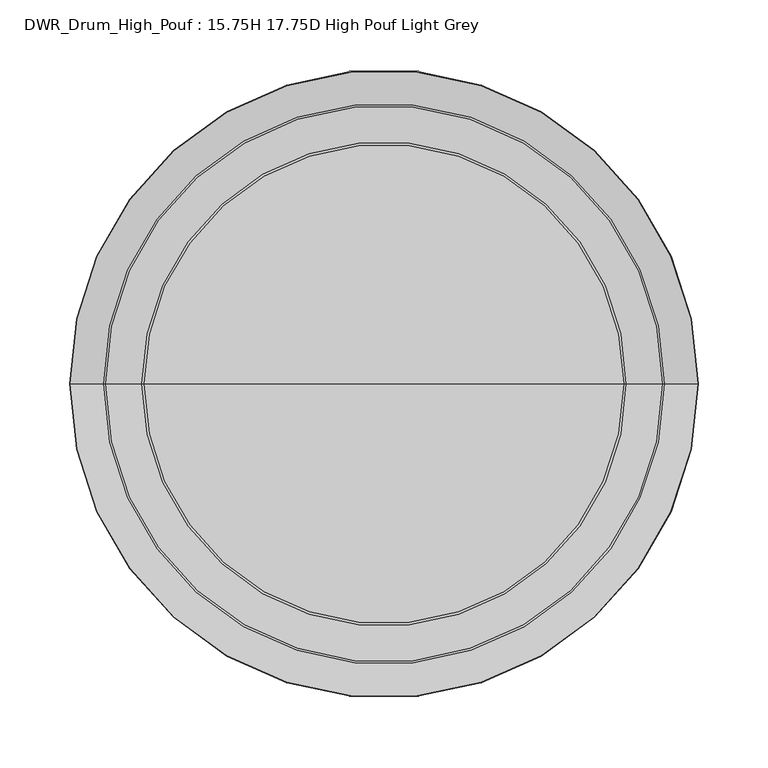
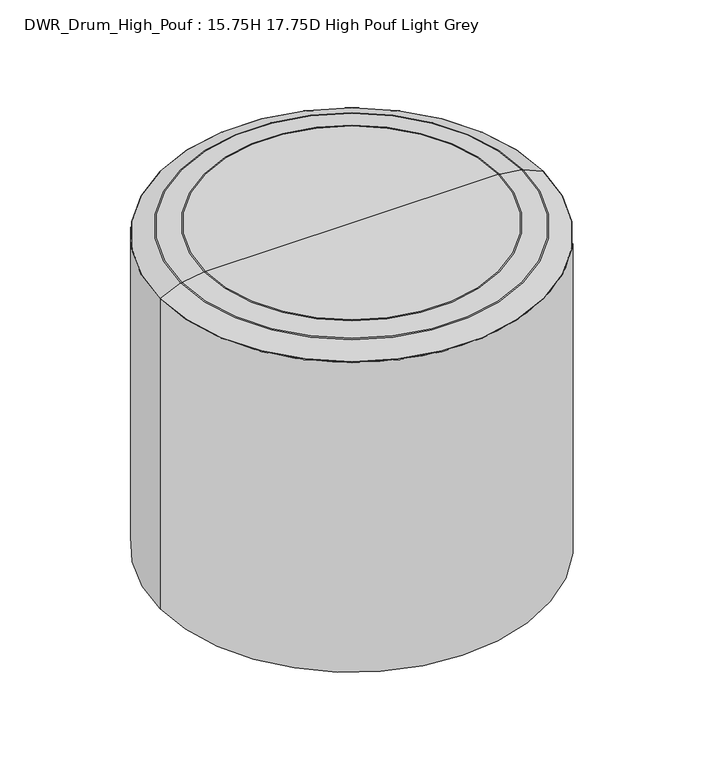
"""IFC4 building model written with IfcOpenShell, lengths in millimetres: furniture geometry, DWR_Drum_High_Pouf : 15.75H 17.75D High Pouf Light Grey."""

from ifc_helpers import new_model, si_unit, point, frame, origin, place, context, project, spatial, polyline, circle_curve, ellipse_curve, trimmed, source, transform, mapped, element, save
from ifc_brep_helpers import plane_surface, cylinder_surface, revolved_surface, advanced_brep


def dwr_drum_high_pouf_15_75h_17_75d_high_pouf_light_grey_a1611f18(model_context):
    return source(origin(), model_context, "Body", "AdvancedBrep", [
        advanced_brep(
        [(225.425, 0.0, 0.0), (-225.425, 0.0, 0.0), (-225.425, 0.0, 384.5376355), (225.425, 0.0, 384.5376355), (0.0, 0.0, 0.0), (171.9277535, 0.0, 400.05), (-171.9277535, 0.0, 400.05), (0.0, 0.0, 400.05), (173.5789034, 0.0, 399.9345403), (-173.5789034, 0.0, 399.9345403), (199.536024, 0.0, 396.286505), (-199.536024, 0.0, 396.286505), (201.0456907, 0.0, 395.853615), (-201.0456907, 0.0, 395.853615), (225.0032967, 0.0, 385.1870016), (-225.0032967, 0.0, 385.1870016)],
        [
            (0, 1, circle_curve(frame((0.0, 0.0, 0.0), z_axis=(0.0, 0.0, 1.0), x_axis=(-1.0, 0.0, 0.0)), 225.425)),
            (1, 2),
            (2, 3, circle_curve(frame((0.0, 0.0, 384.5376355), z_axis=(0.0, 0.0, -1.0), x_axis=(-1.0, 0.0, 0.0)), 225.425)),
            (3, 0),
            (1, 0, circle_curve(frame((0.0, 0.0, 0.0), z_axis=(0.0, 0.0, 1.0), x_axis=(-1.0, 0.0, 0.0)), 225.425)),
            (3, 2, circle_curve(frame((0.0, 0.0, 384.5376355), z_axis=(0.0, 0.0, -1.0), x_axis=(-1.0, 0.0, 0.0)), 225.425)),
            (4, 1),
            (0, 4),
            (5, 6, circle_curve(frame((0.0, 0.0, 400.05), z_axis=(0.0, 0.0, 1.0), x_axis=(-1.0, 0.0, 0.0)), 171.9277535)),
            (6, 7),
            (7, 5),
            (6, 5, circle_curve(frame((0.0, 0.0, 400.05), z_axis=(0.0, 0.0, 1.0), x_axis=(-1.0, 0.0, 0.0)), 171.9277535)),
            (8, 9, circle_curve(frame((0.0, 0.0, 399.9345403), z_axis=(0.0, 0.0, 1.0), x_axis=(-1.0, 0.0, 0.0)), 173.5789034)),
            (9, 6, circle_curve(frame((-171.9277535, 0.0, 388.1859981), z_axis=(0.0, 1.0, 0.0), x_axis=(1.0, 0.0, 0.0)), 11.8640019)),
            (5, 8, circle_curve(frame((171.9277535, 0.0, 388.1859981), z_axis=(0.0, 1.0, 0.0), x_axis=(-1.0, 0.0, 0.0)), 11.8640019)),
            (9, 8, circle_curve(frame((0.0, 0.0, 399.9345403), z_axis=(0.0, 0.0, 1.0), x_axis=(-1.0, 0.0, 0.0)), 173.5789034)),
            (10, 11, circle_curve(frame((0.0, 0.0, 396.286505), z_axis=(0.0, 0.0, 1.0), x_axis=(-1.0, 0.0, 0.0)), 199.536024)),
            (11, 9),
            (8, 10),
            (11, 10, circle_curve(frame((0.0, 0.0, 396.286505), z_axis=(0.0, 0.0, 1.0), x_axis=(-1.0, 0.0, 0.0)), 199.536024)),
            (12, 13, circle_curve(frame((0.0, 0.0, 395.853615), z_axis=(0.0, 0.0, 1.0), x_axis=(-1.0, 0.0, 0.0)), 201.0456907)),
            (13, 11, circle_curve(frame((-198.7507714, 0.0, 390.6991419), z_axis=(0.0, 1.0, 0.0), x_axis=(1.0, 0.0, 0.0)), 5.6422733)),
            (10, 12, circle_curve(frame((198.7507714, 0.0, 390.6991419), z_axis=(0.0, 1.0, 0.0), x_axis=(-1.0, 0.0, 0.0)), 5.6422733)),
            (13, 12, circle_curve(frame((0.0, 0.0, 395.853615), z_axis=(0.0, 0.0, 1.0), x_axis=(-1.0, 0.0, 0.0)), 201.0456907)),
            (14, 15, circle_curve(frame((0.0, 0.0, 385.1870016), z_axis=(0.0, 0.0, 1.0), x_axis=(-1.0, 0.0, 0.0)), 225.0032967)),
            (15, 13),
            (12, 14),
            (15, 14, circle_curve(frame((0.0, 0.0, 385.1870016), z_axis=(0.0, 0.0, 1.0), x_axis=(-1.0, 0.0, 0.0)), 225.0032967)),
            (2, 15, circle_curve(frame((-224.7141803, 0.0, 384.5376355), z_axis=(0.0, 1.0, 0.0), x_axis=(1.0, 0.0, 0.0)), 0.7108197)),
            (14, 3, circle_curve(frame((224.7141803, 0.0, 384.5376355), z_axis=(0.0, 1.0, 0.0), x_axis=(-1.0, 0.0, 0.0)), 0.7108197)),
        ],
        [
            cylinder_surface(frame((0.0, 0.0, 330.2), z_axis=(0.0, 0.0, -1.0), x_axis=(-1.0, 0.0, 0.0)), 225.425),
            plane_surface(frame((0.0, 0.0, 0.0), z_axis=(0.0, 0.0, -1.0), x_axis=(-1.0, 0.0, 0.0))),
            plane_surface(frame((0.0, 0.0, 400.05), z_axis=(0.0, 0.0, 1.0), x_axis=(-1.0, 0.0, 0.0))),
            revolved_surface(trimmed(ellipse_curve(frame((-171.9277535, 0.0, 388.1859981), z_axis=(0.0, -1.0, 0.0), x_axis=(1.0, 0.0, 0.0)), 11.8640019, 11.8640019), [point((-171.9277535, 0.0, 400.05))], [point((-173.5789034, 0.0, 399.9345403))], True, "CARTESIAN"), (0.0, 0.0, 330.2), (0.0, 0.0, -1.0)),
            revolved_surface(polyline([(-173.5789034, 0.0, 399.9345403), (-199.536024, 0.0, 396.286505)]), (0.0, 0.0, 330.2), (0.0, 0.0, -1.0)),
            revolved_surface(trimmed(ellipse_curve(frame((-198.7507714, 0.0, 390.6991419), z_axis=(0.0, -1.0, 0.0), x_axis=(1.0, 0.0, 0.0)), 5.6422733, 5.6422733), [point((-199.536024, 0.0, 396.286505))], [point((-201.0456907, 0.0, 395.853615))], True, "CARTESIAN"), (0.0, 0.0, 330.2), (0.0, 0.0, -1.0)),
            revolved_surface(polyline([(-201.0456907, 0.0, 395.853615), (-225.0032967, 0.0, 385.1870016)]), (0.0, 0.0, 330.2), (0.0, 0.0, -1.0)),
            revolved_surface(trimmed(ellipse_curve(frame((-224.7141803, 0.0, 384.5376355), z_axis=(0.0, -1.0, 0.0), x_axis=(1.0, 0.0, 0.0)), 0.7108197, 0.7108197), [point((-225.0032967, 0.0, 385.1870016))], [point((-225.425, 0.0, 384.5376355))], True, "CARTESIAN"), (0.0, 0.0, 330.2), (0.0, 0.0, -1.0)),
        ],
        [
            (0, [[1, 2, 3, 4]]),
            (0, [[5, -4, 6, -2]]),
            (1, [[7, -1, 8]]),
            (1, [[-8, -5, -7]]),
            (2, [[9, 10, 11]]),
            (2, [[12, -11, -10]]),
            (3, [[13, 14, -9, 15]]),
            (3, [[16, -15, -12, -14]]),
            (4, [[17, 18, -13, 19]]),
            (4, [[20, -19, -16, -18]]),
            (5, [[21, 22, -17, 23]]),
            (5, [[24, -23, -20, -22]]),
            (6, [[25, 26, -21, 27]]),
            (6, [[28, -27, -24, -26]]),
            (7, [[-3, 29, -25, 30]]),
            (7, [[-6, -30, -28, -29]]),
        ],
    ),
    ])


if __name__ == "__main__":
    model = new_model("IFC4")
    model_context = context("Model", 3, world=origin())
    ifc_project = project(units=[si_unit("LENGTHUNIT", "METRE", prefix="MILLI")], contexts=[model_context])
    site = spatial("IfcSite", under=ifc_project)
    building = spatial("IfcBuilding", under=site)
    placement = place(None, origin())
    dwr_drum_high_pouf_15_75h_17_75d_high_pouf_light_grey_shape = dwr_drum_high_pouf_15_75h_17_75d_high_pouf_light_grey_a1611f18(model_context)
    element("IfcFurniture", 1, ObjectType="DWR_Drum_High_Pouf : 15.75H 17.75D High Pouf Light Grey", at=placement, inside=building, context=model_context, shape_type="MappedRepresentation", body=[
        mapped(dwr_drum_high_pouf_15_75h_17_75d_high_pouf_light_grey_shape, transform((0.0, 0.0, 0.0), x_axis=(1.0, 0.0, 0.0), y_axis=(0.0, 1.0, 0.0), z_axis=(0.0, 0.0, 1.0))),
    ])
    save(model, "model.ifc")
